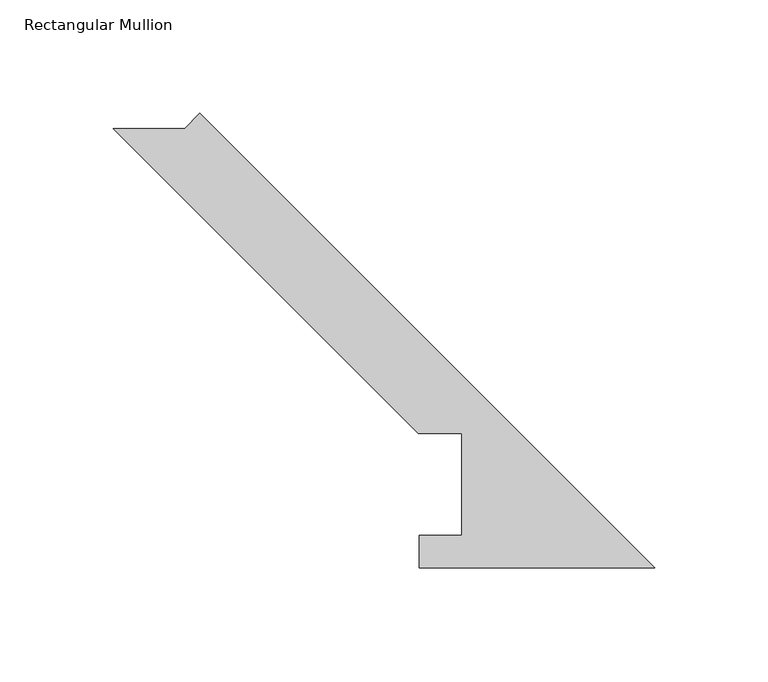
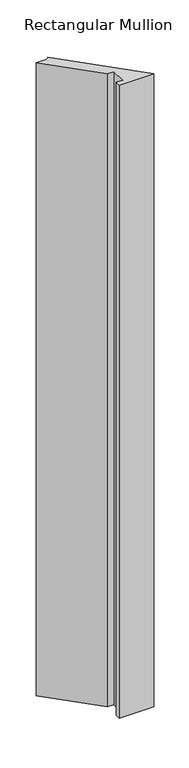
"""IFC4 building model written with IfcOpenShell, lengths in millimetres: member geometry, Rectangular Mullion."""

from ifc_helpers import new_model, si_unit, frame, origin, place, context, project, spatial, polyline, outline, extrude, source, transform, mapped, element, save


def rectangular_mullion_451c3ef8(model_context):
    return source(origin(), model_context, "Body", "SweptSolid", [
        extrude(outline(polyline([(0.0, 0.186986), (-103.8932205, 0.186986), (-103.8932205, 14.436386), (-85.1955446, 14.436386), (-85.1955446, 59.53125), (-104.2455446, 59.53125), (-238.7697813, 194.0554867), (-207.3388849, 194.0554867), (-200.6036928, 200.7906788), (0.0, 0.186986)])), frame((0.0, 0.0, -1993.9), z_axis=(0.0, 0.0, 1.0), x_axis=(1.0, 0.0, 0.0)), (0.0, 0.0, 1.0), 1993.9),
    ])


if __name__ == "__main__":
    model = new_model("IFC4")
    model_context = context("Model", 3, world=origin())
    ifc_project = project(units=[si_unit("LENGTHUNIT", "METRE", prefix="MILLI")], contexts=[model_context])
    site = spatial("IfcSite", under=ifc_project)
    building = spatial("IfcBuilding", under=site)
    placement = place(None, origin())
    rectangular_mullion_shape = rectangular_mullion_451c3ef8(model_context)
    element("IfcMember", 1, ObjectType="Rectangular Mullion", at=placement, inside=building, context=model_context, shape_type="MappedRepresentation", body=[
        mapped(rectangular_mullion_shape, transform((0.0, 0.0, 0.0), x_axis=(1.0, 0.0, 0.0), y_axis=(0.0, 1.0, 0.0), z_axis=(0.0, 0.0, 1.0))),
    ])
    save(model, "model.ifc")
